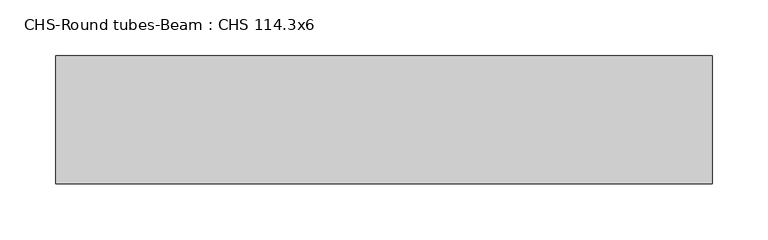
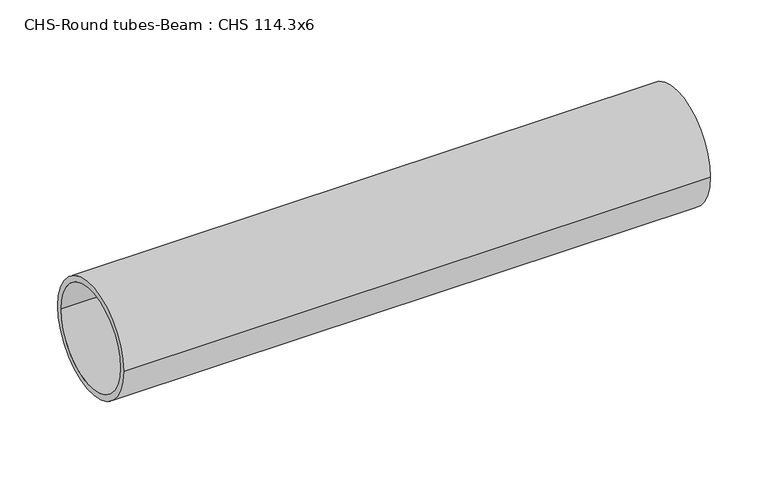
"""IFC4 building model written with IfcOpenShell, lengths in millimetres: beam geometry, CHS-Round tubes-Beam : CHS 114.3x6."""

from ifc_helpers import new_model, si_unit, point, frame, origin, origin_2d, place, context, project, spatial, circle_curve, trimmed, segment, composite_curve, outline, extrude, source, transform, mapped, element, save


def chs_round_tubes_beam_chs_114_3x6_95341b77(model_context):
    return source(origin(), model_context, "Body", "SweptSolid", [
        extrude(outline(composite_curve([segment(trimmed(circle_curve(origin_2d(), 57.15), [point((57.15, 0.0))], [point((-57.15, 0.0))], False, "CARTESIAN"), True, "CONTINUOUS"), segment(trimmed(circle_curve(origin_2d(), 57.15), [point((-57.15, 0.0))], [point((57.15, 0.0))], False, "CARTESIAN"), True, "CONTINUOUS")], self_intersect=False), holes=[composite_curve([segment(trimmed(circle_curve(origin_2d(), 51.15), [point((51.15, 0.0))], [point((-51.15, 0.0))], True, "CARTESIAN"), True, "CONTINUOUS"), segment(trimmed(circle_curve(origin_2d(), 51.15), [point((-51.15, 0.0))], [point((51.15, 0.0))], True, "CARTESIAN"), True, "CONTINUOUS")], self_intersect=False)]), frame((-251.2668657, 0.0, 0.0), z_axis=(1.0, 0.0, 0.0), x_axis=(0.0, 1.0, 0.0)), (0.0, 0.0, 1.0), 586.5914784),
    ])


if __name__ == "__main__":
    model = new_model("IFC4")
    model_context = context("Model", 3, world=origin())
    ifc_project = project(units=[si_unit("LENGTHUNIT", "METRE", prefix="MILLI")], contexts=[model_context])
    site = spatial("IfcSite", under=ifc_project)
    building = spatial("IfcBuilding", under=site)
    placement = place(None, origin())
    chs_round_tubes_beam_chs_114_3x6_shape = chs_round_tubes_beam_chs_114_3x6_95341b77(model_context)
    element("IfcBeam", 1, ObjectType="CHS-Round tubes-Beam : CHS 114.3x6", at=placement, inside=building, context=model_context, shape_type="MappedRepresentation", body=[
        mapped(chs_round_tubes_beam_chs_114_3x6_shape, transform((0.0, 0.0, 0.0), x_axis=(1.0, 0.0, 0.0), y_axis=(0.0, 1.0, 0.0), z_axis=(0.0, 0.0, 1.0))),
    ])
    save(model, "model.ifc")
